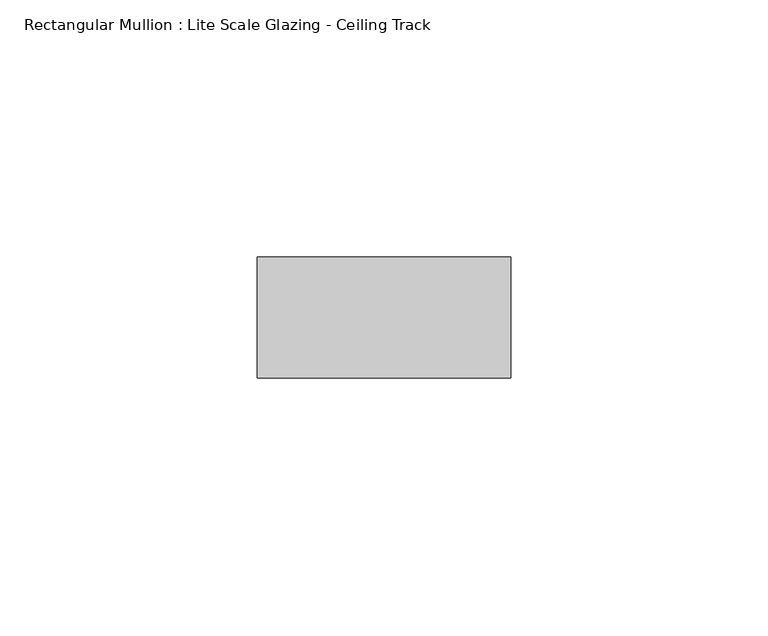
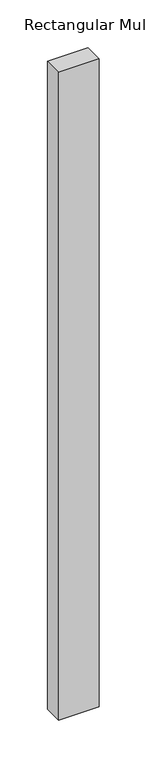
"""IFC4 building model written with IfcOpenShell, lengths in millimetres: member geometry, Rectangular Mullion : Lite Scale Glazing - Ceiling Track."""

from ifc_helpers import new_model, si_unit, frame, origin, place, context, project, spatial, polyline, outline, extrude, source, transform, mapped, element, save


def rectangular_mullion_lite_scale_glazing_ceiling_track_513149aa(model_context):
    return source(origin(), model_context, "Body", "SweptSolid", [
        extrude(outline(polyline([(-49.276, -11.7474999), (-49.276, 11.7474999), (0.0, 11.7474999), (0.0, -11.7474999), (-49.276, -11.7474999)])), frame((0.0, 0.0, -831.2811022), z_axis=(0.0, 0.0, 1.0), x_axis=(1.0, 0.0, 0.0)), (0.0, 0.0, 1.0), 831.2811022),
    ])


if __name__ == "__main__":
    model = new_model("IFC4")
    model_context = context("Model", 3, world=origin())
    ifc_project = project(units=[si_unit("LENGTHUNIT", "METRE", prefix="MILLI")], contexts=[model_context])
    site = spatial("IfcSite", under=ifc_project)
    building = spatial("IfcBuilding", under=site)
    placement = place(None, origin())
    rectangular_mullion_lite_scale_glazing_ceiling_track_shape = rectangular_mullion_lite_scale_glazing_ceiling_track_513149aa(model_context)
    element("IfcMember", 1, ObjectType="Rectangular Mullion : Lite Scale Glazing - Ceiling Track", at=placement, inside=building, context=model_context, shape_type="MappedRepresentation", body=[
        mapped(rectangular_mullion_lite_scale_glazing_ceiling_track_shape, transform((0.0, 0.0, 0.0), x_axis=(1.0, 0.0, 0.0), y_axis=(0.0, 1.0, 0.0), z_axis=(0.0, 0.0, 1.0))),
    ])
    save(model, "model.ifc")
